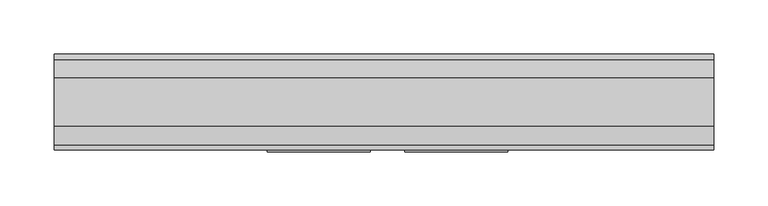
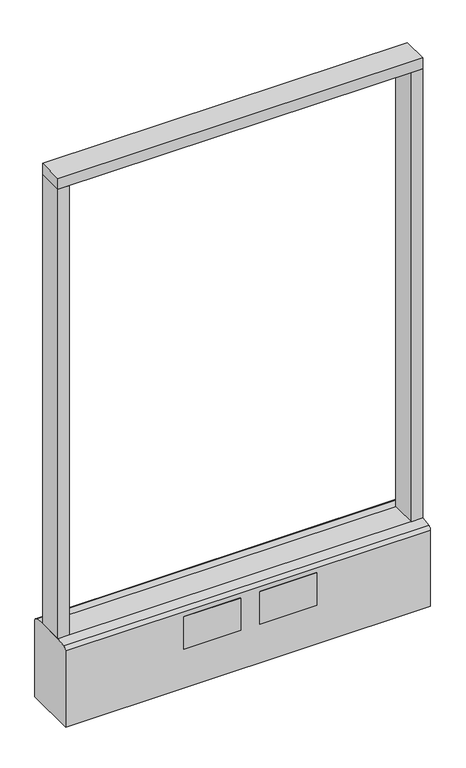
"""IFC4 building model written with IfcOpenShell, lengths in millimetres: furniture geometry."""

from ifc_helpers import new_model, si_unit, point, frame, frame_2d, origin, origin_with_axes, place, context, project, spatial, polyline, circle_curve, trimmed, segment, composite_curve, outline, extrude, source, transform, mapped, element, save


def furniture_82e04d0f(model_context):
    return source(origin(), model_context, "Body", "SweptSolid", [
        extrude(outline(polyline([(304.8, -22.225), (-304.8, -22.225), (-304.8, 22.225), (304.8, 22.225), (304.8, -22.225)])), frame((0.0, 0.0, 946.15), z_axis=(0.0, 0.0, 1.0), x_axis=(1.0, 0.0, 0.0)), (0.0, 0.0, 1.0), 19.05),
        extrude(outline(composite_curve([segment(trimmed(circle_curve(frame_2d((-228.6, 0.0)), 23.415625), [point((-252.015625, 0.0))], [point((-205.184375, 0.0))], False, "CARTESIAN"), True, "CONTINUOUS"), segment(trimmed(circle_curve(frame_2d((-228.6, 0.0)), 23.415625), [point((-205.184375, 0.0))], [point((-252.015625, 0.0))], False, "CARTESIAN"), True, "CONTINUOUS")], self_intersect=False)), origin_with_axes(), (0.0, 0.0, 1.0), 6.35),
        extrude(outline(composite_curve([segment(trimmed(circle_curve(frame_2d((228.6, 0.0)), 23.415625), [point((205.184375, 0.0))], [point((252.015625, 0.0))], False, "CARTESIAN"), True, "CONTINUOUS"), segment(trimmed(circle_curve(frame_2d((228.6, 0.0)), 23.415625), [point((252.015625, 0.0))], [point((205.184375, 0.0))], False, "CARTESIAN"), True, "CONTINUOUS")], self_intersect=False)), origin_with_axes(), (0.0, 0.0, 1.0), 6.35),
        extrude(outline(polyline([(-285.7500091, -22.225), (-304.8, -22.225), (-304.8, 22.225), (-285.7500091, 22.225), (-285.7500091, -22.225)])), frame((0.0, 0.0, 152.4), z_axis=(0.0, 0.0, 1.0), x_axis=(1.0, 0.0, 0.0)), (0.0, 0.0, 1.0), 793.75),
        extrude(outline(polyline([(304.8, -22.225), (285.7500091, -22.225), (285.7500091, 22.225), (304.8, 22.225), (304.8, -22.225)])), frame((0.0, 0.0, 152.4), z_axis=(0.0, 0.0, 1.0), x_axis=(1.0, 0.0, 0.0)), (0.0, 0.0, 1.0), 793.75),
        extrude(outline(composite_curve([segment(polyline([(-22.225, 152.4), (22.225, 152.4), (39.43219, 149.94183)]), True, "CONTINUOUS"), segment(trimmed(circle_curve(frame_2d((38.605678, 144.1562464)), 5.844322), [point((39.43219, 149.94183))], [point((44.45, 144.1562464))], False, "CARTESIAN"), True, "CONTINUOUS"), segment(polyline([(44.45, 144.1562464), (44.45, 9.525), (-44.4433083, 9.525), (-44.4433083, 144.1572033)]), True, "CONTINUOUS"), segment(trimmed(circle_curve(frame_2d((-38.5989863, 144.1572033)), 5.844322), [point((-44.4433083, 144.1572033))], [point((-39.4222979, 149.9432432))], False, "CARTESIAN"), True, "CONTINUOUS"), segment(polyline([(-39.4222979, 149.9432432), (-22.225, 152.4)]), True, "CONTINUOUS")], self_intersect=False)), frame((-304.8, 0.0, 0.0), z_axis=(1.0, 0.0, 0.0), x_axis=(0.0, 1.0, 0.0)), (0.0, 0.0, 1.0), 609.6),
        extrude(outline(polyline([(114.3, -46.0375), (19.05, -46.0375), (19.05, -44.45), (114.3, -44.45), (114.3, -46.0375)])), frame((0.0, 0.0, 79.1718), z_axis=(0.0, 0.0, 1.0), x_axis=(1.0, 0.0, 0.0)), (0.0, 0.0, 1.0), 57.15),
        extrude(outline(polyline([(-12.7, -46.0375), (-107.95, -46.0375), (-107.95, -44.45), (-12.7, -44.45), (-12.7, -46.0375)])), frame((0.0, 0.0, 79.1718), z_axis=(0.0, 0.0, 1.0), x_axis=(1.0, 0.0, 0.0)), (0.0, 0.0, 1.0), 57.15),
        extrude(outline(composite_curve([segment(trimmed(circle_curve(frame_2d((-228.6, 0.0)), 5.55625), [point((-234.15625, 0.0))], [point((-223.04375, 0.0))], False, "CARTESIAN"), True, "CONTINUOUS"), segment(trimmed(circle_curve(frame_2d((-228.6, 0.0)), 5.55625), [point((-223.04375, 0.0))], [point((-234.15625, 0.0))], False, "CARTESIAN"), True, "CONTINUOUS")], self_intersect=False)), frame((0.0, 0.0, 6.35), z_axis=(0.0, 0.0, 1.0), x_axis=(1.0, 0.0, 0.0)), (0.0, 0.0, 1.0), 3.175),
        extrude(outline(composite_curve([segment(trimmed(circle_curve(frame_2d((228.6, 0.0)), 5.55625), [point((223.04375, 0.0))], [point((234.15625, 0.0))], False, "CARTESIAN"), True, "CONTINUOUS"), segment(trimmed(circle_curve(frame_2d((228.6, 0.0)), 5.55625), [point((234.15625, 0.0))], [point((223.04375, 0.0))], False, "CARTESIAN"), True, "CONTINUOUS")], self_intersect=False)), frame((0.0, 0.0, 6.35), z_axis=(0.0, 0.0, 1.0), x_axis=(1.0, 0.0, 0.0)), (0.0, 0.0, 1.0), 3.175),
    ])


if __name__ == "__main__":
    model = new_model("IFC4")
    model_context = context("Model", 3, world=origin())
    ifc_project = project(units=[si_unit("LENGTHUNIT", "METRE", prefix="MILLI")], contexts=[model_context])
    site = spatial("IfcSite", under=ifc_project)
    building = spatial("IfcBuilding", under=site)
    placement = place(None, origin())
    furniture_shape = furniture_82e04d0f(model_context)
    element("IfcFurniture", 1, at=placement, inside=building, context=model_context, shape_type="MappedRepresentation", body=[
        mapped(furniture_shape, transform((0.0, 0.0, 0.0), x_axis=(1.0, 0.0, 0.0), y_axis=(0.0, 1.0, 0.0), z_axis=(0.0, 0.0, 1.0))),
    ])
    save(model, "model.ifc")
